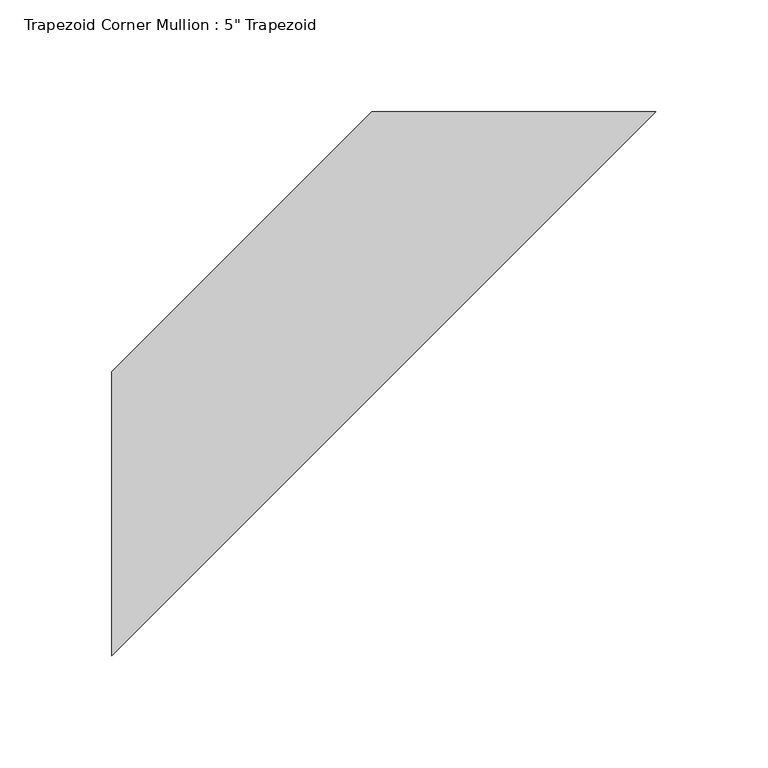
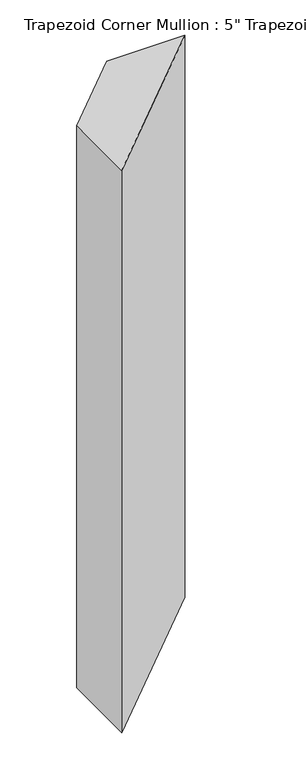
"""IFC4 building model written with IfcOpenShell, lengths in millimetres: member geometry."""

from ifc_helpers import new_model, si_unit, frame, origin, place, context, project, spatial, polyline, outline, extrude, source, transform, mapped, element, save


def member_17203407(model_context):
    return source(origin(), model_context, "Body", "SweptSolid", [
        extrude(outline(polyline([(-63.5, 179.6051224), (63.5, 179.6051224), (-179.6051224, -63.5), (-179.6051224, 63.5), (-63.5, 179.6051224)])), frame((0.0, 0.0, -966.6738216), z_axis=(0.0, 0.0, 1.0), x_axis=(1.0, 0.0, 0.0)), (0.0, 0.0, 1.0), 966.6738216),
    ])


if __name__ == "__main__":
    model = new_model("IFC4")
    model_context = context("Model", 3, world=origin())
    ifc_project = project(units=[si_unit("LENGTHUNIT", "METRE", prefix="MILLI")], contexts=[model_context])
    site = spatial("IfcSite", under=ifc_project)
    building = spatial("IfcBuilding", under=site)
    placement = place(None, origin())
    member_shape = member_17203407(model_context)
    element("IfcMember", 1, ObjectType="Trapezoid Corner Mullion : 5\" Trapezoid", at=placement, inside=building, context=model_context, shape_type="MappedRepresentation", body=[
        mapped(member_shape, transform((0.0, 0.0, 0.0), x_axis=(1.0, 0.0, 0.0), y_axis=(0.0, 1.0, 0.0), z_axis=(0.0, 0.0, 1.0))),
    ])
    save(model, "model.ifc")
